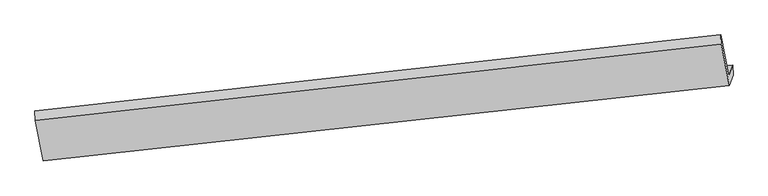
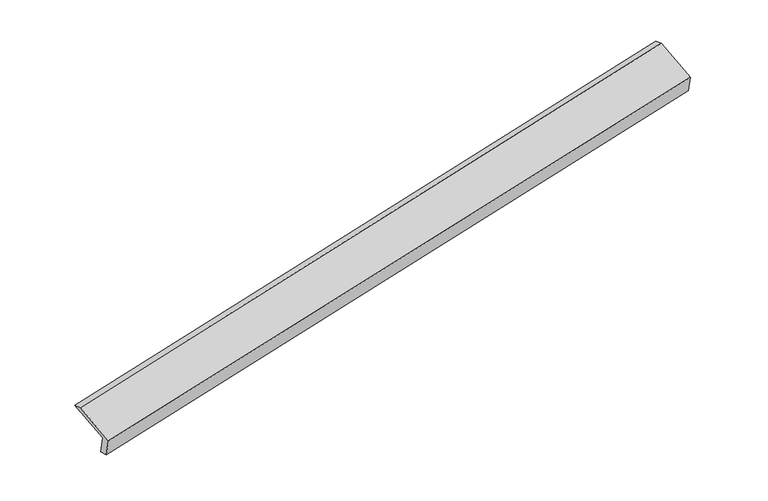
"""IFC4 building model written with IfcOpenShell, lengths in millimetres: proxy geometry."""

from ifc_helpers import new_model, si_unit, frame, origin, place, context, project, spatial, source, transform, mapped, element, save
from ifc_brep_helpers import plane_surface, spline_surface, advanced_brep


def generic_models_968de2f3(model_context):
    return source(origin(), model_context, "Body", "AdvancedBrep", [
        advanced_brep(
        [(-8460.0114282, -2152.5236018, 396.3555341), (-8521.979559, -2328.7306773, 793.6823059), (2837.0325028, -1082.2892973, 3095.9376994), (2899.0006336, -906.0822218, 2698.6109276), (-8449.9903323, -2318.4753055, 437.2481398), (2907.6102887, -1076.0473735, 2748.5533991), (-8512.3331793, -2495.7478908, 836.9775143), (2846.6788825, -1249.3065108, 3139.2329079), (-8643.7230311, -1824.2446936, 1114.2848565), (2711.7297519, -559.6126612, 3424.0523535), (-8650.8492374, -1670.1075045, 1065.6706483), (2704.6035456, -405.475472, 3375.4381453)],
        [
            (0, 1),
            (1, 2),
            (2, 3),
            (3, 0),
            (4, 0),
            (3, 5),
            (5, 4),
            (6, 4),
            (5, 7),
            (7, 6),
            (8, 6),
            (7, 9),
            (9, 8),
            (10, 8),
            (9, 11),
            (11, 10),
            (1, 10),
            (11, 2),
        ],
        [
            plane_surface(frame((-8490.9954936, -2240.6271396, 595.01892), z_axis=(-0.17603568153107213, 0.9097447225798876, 0.3759999714972524), x_axis=(-0.1411440912411454, -0.40134480757465696, 0.9049865694807702))),
            spline_surface(1, 1, [[(-8449.9903323, -2318.4753055, 437.2481398), (2907.6102887, -1076.0473735, 2748.5533991)], [(-8460.0114282, -2152.5236018, 396.3555341), (2899.0006336, -906.0822218, 2698.6109276)]], [2, 2], [2, 2], [0.0, 1.0], [0.0, 1.0]),
            plane_surface(frame((-8481.1617558, -2407.1115982, 637.1128271), z_axis=(0.1760356815310728, -0.9097447225798867, -0.3759999714972539), x_axis=(0.1411440912411354, 0.4013448075746575, -0.9049865694807715))),
            plane_surface(frame((-8578.0281052, -2159.9962922, 975.6311854), z_axis=(-0.13947299043495906, -0.40115884749043923, 0.9053280422141315), x_axis=(0.1779639424448926, -0.9095326217009386, -0.3756051720241459))),
            plane_surface(frame((-8647.2861342, -1747.176099, 1089.9777524), z_axis=(-0.22138913189408294, 0.28400183245036636, 0.9329146860479894), x_axis=(0.044049059459619615, -0.9527647570214985, 0.3004979170285341))),
            plane_surface(frame((-8586.4143982, -1999.4190909, 929.6764771), z_axis=(0.13947299043496156, 0.40115884749042663, -0.9053280422141369), x_axis=(-0.1779639424449114, 0.909532621700942, 0.37560517202412913))),
            plane_surface(frame((2817.7759342, -879.8022561, 3080.3042388), z_axis=(0.9738619926340617, 0.10804052709365841, 0.19980005957991923), x_axis=(0.1779639424448926, -0.9095326217009386, -0.3756051720241459))),
            plane_surface(frame((-8539.8144612, -2131.6382789, 774.0364998), z_axis=(-0.9738619926340629, -0.10804052709363013, -0.19980005957992802), x_axis=(0.1411440912411482, 0.40134480757468943, -0.9049865694807553))),
        ],
        [
            (0, [[1, 2, 3, 4]]),
            (1, [[5, -4, 6, 7]]),
            (2, [[8, -7, 9, 10]]),
            (3, [[11, -10, 12, 13]]),
            (4, [[14, -13, 15, 16]]),
            (5, [[17, -16, 18, -2]]),
            (6, [[-12, -9, -6, -3, -18, -15]]),
            (7, [[-1, -5, -8, -11, -14, -17]]),
        ],
    ),
    ])


if __name__ == "__main__":
    model = new_model("IFC4")
    model_context = context("Model", 3, world=origin())
    ifc_project = project(units=[si_unit("LENGTHUNIT", "METRE", prefix="MILLI")], contexts=[model_context])
    site = spatial("IfcSite", under=ifc_project)
    building = spatial("IfcBuilding", under=site)
    placement = place(None, origin())
    generic_models_shape = generic_models_968de2f3(model_context)
    element("IfcBuildingElementProxy", 1, Name="Generic Models", at=placement, inside=building, context=model_context, shape_type="MappedRepresentation", body=[
        mapped(generic_models_shape, transform((0.0, 0.0, 0.0), x_axis=(1.0, 0.0, 0.0), y_axis=(0.0, 1.0, 0.0), z_axis=(0.0, 0.0, 1.0))),
    ])
    save(model, "model.ifc")
